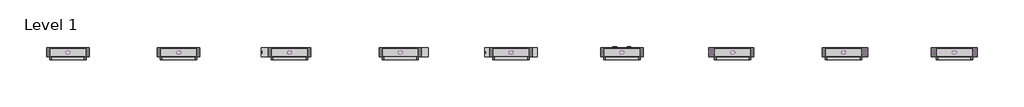
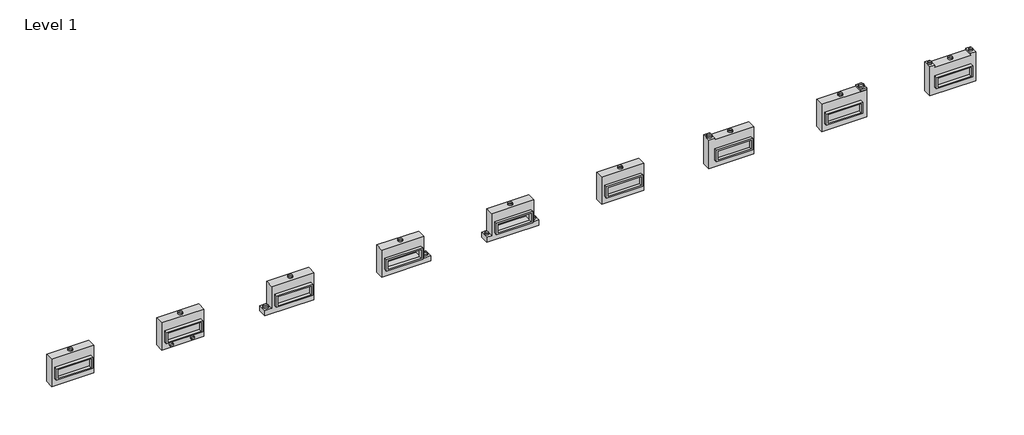
# One storey: 32 proxies.
"""IFC4 building model written with IfcOpenShell, lengths in millimetres."""

import ifcopenshell
import ifcopenshell.guid

model = None  # the IFC model being written
_history = None  # IfcOwnerHistory: only IFC2X3 demands one
_inside = {}  # id of a spatial element -> (the spatial element, [elements in it])
_under = {}  # id of a project, library or spatial element -> (it, [spatial elements below it])
_declared = {}  # id of a project -> (the project, [libraries it declares])
_typed = {}  # id of a type object -> (the type object, [elements of that type])
_made_of = {}  # id of a material, layer set ... -> (it, [elements and type objects made of it])


def new_model(schema):
    """Start an empty IFC model of exactly this schema.

    Asked for "IFC4X3", IfcOpenShell would pick the latest addendum, in which some entities
    have other attributes; the version numbers below select the first issue.
    IFC2X3 requires an IfcOwnerHistory on every rooted entity: one is made here for all.
    """
    global model, _history
    if schema == "IFC4X3":
        model = ifcopenshell.file(schema_version=(4, 3, 0, 0))
    else:
        model = ifcopenshell.file(schema=schema)
    _inside.clear()
    _under.clear()
    _declared.clear()
    _typed.clear()
    _made_of.clear()
    _history = None
    if model.schema == "IFC2X3":
        org = make("IfcOrganization", Name="unknown")
        user = make(
            "IfcPersonAndOrganization",
            ThePerson=make("IfcPerson", FamilyName="unknown"),
            TheOrganization=org,
        )
        app = make(
            "IfcApplication",
            ApplicationDeveloper=org,
            Version="unknown",
            ApplicationFullName="unknown",
            ApplicationIdentifier="unknown",
        )
        _history = make(
            "IfcOwnerHistory",
            OwningUser=user,
            OwningApplication=app,
            ChangeAction="ADDED",
            CreationDate=0,
        )
    return model


def make(cls, **values):
    """One entity of the class cls with the attributes given. An attribute that is None is left unset."""
    return model.create_entity(
        cls, **{name: value for name, value in values.items() if value is not None}
    )


def rooted(cls, **values):
    """An entity with a GlobalId (a new one), such as an element, a storey or a relation."""
    return make(cls, GlobalId=ifcopenshell.guid.new(), OwnerHistory=_history, **values)


def si_unit(unit_type, name, prefix=None):
    """IfcSIUnit, for example si_unit("LENGTHUNIT", "METRE", prefix="MILLI")."""
    return make("IfcSIUnit", UnitType=unit_type, Prefix=prefix, Name=name)


def assignment(units):
    """IfcUnitAssignment: the units of a project."""
    return None if units is None else make("IfcUnitAssignment", Units=units)


def point(xyz):
    """IfcCartesianPoint."""
    return None if xyz is None else make("IfcCartesianPoint", Coordinates=xyz)


def direction(xyz):
    """IfcDirection."""
    return None if xyz is None else make("IfcDirection", DirectionRatios=xyz)


def frame(location, z_axis=None, x_axis=None):
    """IfcAxis2Placement3D, a coordinate frame: its origin and axes. An axis left out is left unset."""
    return make(
        "IfcAxis2Placement3D",
        Location=point(location),
        Axis=direction(z_axis),
        RefDirection=direction(x_axis),
    )


def frame_2d(location, x_axis=None):
    """IfcAxis2Placement2D, a coordinate frame in the plane: its origin and x axis."""
    return make(
        "IfcAxis2Placement2D", Location=point(location), RefDirection=direction(x_axis)
    )


def origin():
    """The frame at (0, 0, 0) with its axes left unset."""
    return frame((0.0, 0.0, 0.0))


def origin_with_axes():
    """The frame at (0, 0, 0) with the z axis (0, 0, 1) and the x axis (1, 0, 0) written out."""
    return frame((0.0, 0.0, 0.0), z_axis=(0.0, 0.0, 1.0), x_axis=(1.0, 0.0, 0.0))


def origin_2d():
    """The frame at (0, 0) in the plane with its x axis left unset."""
    return frame_2d((0.0, 0.0))


def place(relative_to, where):
    """IfcLocalPlacement: puts the frame where relative to a parent placement (None: the world)."""
    return make(
        "IfcLocalPlacement", PlacementRelTo=relative_to, RelativePlacement=where
    )


def context(
    kind, dimensions, precision=None, world=None, true_north=None, identifier=None
):
    """IfcGeometricRepresentationContext, for example the 3D "Model" context."""
    return make(
        "IfcGeometricRepresentationContext",
        ContextIdentifier=identifier,
        ContextType=kind,
        CoordinateSpaceDimension=dimensions,
        Precision=precision,
        WorldCoordinateSystem=world,
        TrueNorth=true_north,
    )


def project(units=None, contexts=None):
    """IfcProject with its units and contexts."""
    return rooted(
        "IfcProject",
        Name="project",
        RepresentationContexts=contexts,
        UnitsInContext=assignment(units),
    )


def spatial(cls, under=None, at=None, **own):
    """A site, building, storey or space (cls), placed at a placement, below another one or the project."""
    s = rooted(cls, ObjectPlacement=at, **own)
    if under is not None:
        _under.setdefault(under.id(), (under, []))[1].append(s)
    return s


def polyline(points):
    """IfcPolyline through the points."""
    return make("IfcPolyline", Points=[point(p) for p in points])


def circle_curve(where, radius):
    """IfcCircle in the frame where."""
    return make("IfcCircle", Position=where, Radius=radius)


def trimmed(basis, trim1, trim2, sense, master):
    """IfcTrimmedCurve: the piece of a basis curve between two trims."""
    return make(
        "IfcTrimmedCurve",
        BasisCurve=basis,
        Trim1=trim1,
        Trim2=trim2,
        SenseAgreement=sense,
        MasterRepresentation=master,
    )


def segment(curve, same_sense, transition):
    """IfcCompositeCurveSegment."""
    return make(
        "IfcCompositeCurveSegment",
        Transition=transition,
        SameSense=same_sense,
        ParentCurve=curve,
    )


def composite_curve(segments, self_intersect=None):
    """IfcCompositeCurve: segments joined end to end."""
    return make("IfcCompositeCurve", Segments=segments, SelfIntersect=self_intersect)


def outline(outer, holes=None, kind="AREA"):
    """IfcArbitraryClosedProfileDef: a profile drawn as a closed curve; with holes, ...WithVoids."""
    if holes is None:
        return make("IfcArbitraryClosedProfileDef", ProfileType=kind, OuterCurve=outer)
    return make(
        "IfcArbitraryProfileDefWithVoids",
        ProfileType=kind,
        OuterCurve=outer,
        InnerCurves=holes,
    )


def extrude(swept, where, along, depth):
    """IfcExtrudedAreaSolid: the profile swept, set in the frame where, extruded along a direction by depth."""
    return make(
        "IfcExtrudedAreaSolid",
        SweptArea=swept,
        Position=where,
        ExtrudedDirection=direction(along),
        Depth=depth,
    )


def faces_of(points, faces, orient=None, outer=None):
    """IfcFace entities. A face is a list of loops; a loop is a list of indices into points, from 0.

    orient and outer hold one flag for each loop. By default every Orientation is true, the
    first loop of a face is its IfcFaceOuterBound and the others are IfcFaceBound.
    """
    made = []
    for i, loops in enumerate(faces):
        bounds = []
        for j, loop in enumerate(loops):
            is_outer = j == 0 if outer is None else outer[i][j]
            bounds.append(
                make(
                    "IfcFaceOuterBound" if is_outer else "IfcFaceBound",
                    Bound=make("IfcPolyLoop", Polygon=[points[k] for k in loop]),
                    Orientation=True if orient is None else orient[i][j],
                )
            )
        made.append(make("IfcFace", Bounds=bounds))
    return made


def faceted_brep(points, faces, orient=None, outer=None, voids=None):
    """IfcFacetedBrep: a solid bounded by flat faces; with voids (closed shells), ...WithVoids."""
    shared = [point(p) for p in points]
    hull = make("IfcClosedShell", CfsFaces=faces_of(shared, faces, orient, outer))
    if voids is None:
        return make("IfcFacetedBrep", Outer=hull)
    return make(
        "IfcFacetedBrepWithVoids",
        Outer=hull,
        Voids=[
            make(cls, CfsFaces=faces_of(shared, fs, o, b)) for cls, fs, o, b in voids
        ],
    )


def shape(context_of_items, identifier, shape_type, items):
    """IfcShapeRepresentation: the items that make up one representation, for example the "Body"."""
    return make(
        "IfcShapeRepresentation",
        ContextOfItems=context_of_items,
        RepresentationIdentifier=identifier,
        RepresentationType=shape_type,
        Items=items,
    )


def source(mapping_origin, context_of_items, identifier, shape_type, items):
    """IfcRepresentationMap: a shape defined once, which mapped items show again and again."""
    return make(
        "IfcRepresentationMap",
        MappingOrigin=mapping_origin,
        MappedRepresentation=shape(context_of_items, identifier, shape_type, items),
    )


def transform(
    local_origin,
    x_axis=None,
    y_axis=None,
    z_axis=None,
    scale=None,
    scale2=None,
    scale3=None,
    uniform=True,
):
    """IfcCartesianTransformationOperator3D, or its non-uniform kind. x_axis, y_axis, z_axis: its Axis1, 2, 3."""
    if uniform:
        return make(
            "IfcCartesianTransformationOperator3D",
            Axis1=direction(x_axis),
            Axis2=direction(y_axis),
            LocalOrigin=point(local_origin),
            Scale=scale,
            Axis3=direction(z_axis),
        )
    return make(
        "IfcCartesianTransformationOperator3DnonUniform",
        Axis1=direction(x_axis),
        Axis2=direction(y_axis),
        LocalOrigin=point(local_origin),
        Scale=scale,
        Axis3=direction(z_axis),
        Scale2=scale2,
        Scale3=scale3,
    )


def mapped(mapping_source, mapping_target):
    """IfcMappedItem: shows the shape of a source again, moved by a transform."""
    return make(
        "IfcMappedItem", MappingSource=mapping_source, MappingTarget=mapping_target
    )


def made_of(thing, what):
    """Note that an element or type object is made of a material, layer set ...; save() writes the relation."""
    if what is not None:
        _made_of.setdefault(what.id(), (what, []))[1].append(thing)
    return thing


def element(
    cls,
    number,
    at=None,
    inside=None,
    cuts=None,
    type_object=None,
    material=None,
    context=None,
    identifier="Body",
    shape_type=None,
    held_by="IfcProductDefinitionShape",
    body=None,
    shapes=None,
    **own,
):
    """One element of the class cls, such as IfcWall. Its Tag is "e" and its number.

    at: its placement. inside: the storey or other place that contains it. cuts: it is an
    opening in that element (IfcRelVoidsElement). A single representation is given by context,
    identifier, shape_type and body (its items); several are given by shapes. held_by: the class
    of the entity that holds the representations. save() writes the other relations.
    """
    e = rooted(cls, Tag="e%d" % number, ObjectPlacement=at, **own)
    if body is not None:
        shapes = [shape(context, identifier, shape_type, body)]
    if shapes is not None:
        e.Representation = make(held_by, Representations=shapes)
    if inside is not None:
        _inside.setdefault(inside.id(), (inside, []))[1].append(e)
    if cuts is not None:
        rooted(
            "IfcRelVoidsElement", RelatingBuildingElement=cuts, RelatedOpeningElement=e
        )
    if type_object is not None:
        _typed.setdefault(type_object.id(), (type_object, []))[1].append(e)
    return made_of(e, material)


def aggregate(whole, parts):
    """IfcRelAggregates: a whole, such as a stair, and the parts it consists of."""
    return rooted("IfcRelAggregates", RelatingObject=whole, RelatedObjects=parts)


def save(model, path):
    """Write the relations noted so far, then the file.

    IfcRelAggregates (storeys below a building ...), IfcRelContainedInSpatialStructure (elements
    in a storey), IfcRelDefinesByType, IfcRelAssociatesMaterial and IfcRelDeclares: one each for
    every whole, place, type object, material and project.
    """
    for whole, parts in _under.values():
        aggregate(whole, parts)
    for where, things in _inside.values():
        rooted(
            "IfcRelContainedInSpatialStructure",
            RelatedElements=things,
            RelatingStructure=where,
        )
    for kind, things in _typed.values():
        rooted("IfcRelDefinesByType", RelatedObjects=things, RelatingType=kind)
    for what, things in _made_of.values():
        rooted("IfcRelAssociatesMaterial", RelatedObjects=things, RelatingMaterial=what)
    for by, libraries in _declared.values():
        rooted("IfcRelDeclares", RelatingContext=by, RelatedDefinitions=libraries)
    model.write(path)


def as_specified_af409f83(model_context):
    return source(origin(), model_context, "Body", "SolidModel", [
        extrude(outline(polyline([(1003.3, 273.05), (1003.3, -387.35), (-1003.3, -387.35), (-1003.3, 273.05), (1003.3, 273.05)]), holes=[polyline([(914.4, 196.85), (-914.4, 196.85), (-914.4, -311.15), (914.4, -311.15), (914.4, 196.85)])]), frame((0.0, 0.0, -25.4), z_axis=(0.0, 0.0, 1.0), x_axis=(1.0, 0.0, 0.0)), (0.0, 0.0, 1.0), 165.1),
        extrude(outline(polyline([(914.4, 196.85), (914.4, -311.15), (-914.4, -311.15), (-914.4, 196.85), (914.4, 196.85)])), frame((0.0, 0.0, -30.3609375), z_axis=(0.0, 0.0, 1.0), x_axis=(1.0, 0.0, 0.0)), (0.0, 0.0, 1.0), 4.9609375),
        faceted_brep([(1168.4, -793.75, -523.875), (-1168.4, -793.75, -523.875), (-1168.4, 793.75, -523.875), (1168.4, 793.75, -523.875), (1168.4, 793.75, -25.4), (-1168.4, 793.75, -25.4), (-1168.4, -793.75, -25.4), (1168.4, -793.75, -25.4), (1003.3, 273.05, -25.4), (1003.3, -387.35, -25.4), (-1003.3, -387.35, -25.4), (-1003.3, 273.05, -25.4), (1003.3, 273.05, -498.475), (-1003.3, 273.05, -498.475), (-1003.3, -387.35, -498.475), (1003.3, -387.35, -498.475)], [[[0, 1, 2, 3]], [[4, 5, 6, 7], [8, 9, 10, 11]], [[3, 2, 5, 4]], [[2, 1, 6, 5]], [[0, 3, 4, 7]], [[12, 13, 14, 15]], [[14, 13, 11, 10]], [[13, 12, 8, 11]], [[12, 15, 9, 8]], [[10, 9, 15, 14]], [[1, 0, 7, 6]]]),
    ])


def as_specified_decdab87(model_context):
    return source(origin(), model_context, "Body", "SolidModel", [
        extrude(outline(polyline([(1003.3, 273.05), (1003.3, -387.35), (-1003.3, -387.35), (-1003.3, 273.05), (1003.3, 273.05)]), holes=[polyline([(914.4, 196.85), (-914.4, 196.85), (-914.4, -311.15), (914.4, -311.15), (914.4, 196.85)])]), frame((0.0, 0.0, -25.4), z_axis=(0.0, 0.0, 1.0), x_axis=(1.0, 0.0, 0.0)), (0.0, 0.0, 1.0), 165.1),
        faceted_brep([(-1168.4, 793.75, -523.875), (1168.4, 793.75, -523.875), (1168.4, -488.95, -523.875), (1447.8, -488.95, -523.875), (1447.8, -793.75, -523.875), (-1447.8, -793.75, -523.875), (-1447.8, -488.95, -523.875), (-1168.4, -488.95, -523.875), (1168.4, 793.75, -25.4), (-1168.4, 793.75, -25.4), (-1168.4, -488.95, -25.4), (-1447.8, -488.95, -25.4), (-1447.8, -793.75, -25.4), (1447.8, -793.75, -25.4), (1447.8, -488.95, -25.4), (1168.4, -488.95, -25.4), (-1003.3, -387.35, -25.4), (-1003.3, 273.05, -25.4), (1003.3, 273.05, -25.4), (1003.3, -387.35, -25.4), (1003.3, 273.05, -498.475), (-1003.3, 273.05, -498.475), (-1003.3, -387.35, -498.475), (1003.3, -387.35, -498.475)], [[[0, 1, 2, 3, 4, 5, 6, 7]], [[8, 9, 10, 11, 12, 13, 14, 15], [16, 17, 18, 19]], [[1, 0, 9, 8]], [[9, 0, 7, 10]], [[1, 8, 15, 2]], [[20, 21, 22, 23]], [[22, 21, 17, 16]], [[21, 20, 18, 17]], [[20, 23, 19, 18]], [[23, 22, 16, 19]], [[5, 4, 13, 12]], [[3, 2, 15, 14]], [[4, 3, 14, 13]], [[7, 6, 11, 10]], [[6, 5, 12, 11]]]),
    ])


def as_specified_20f9bb69(model_context):
    return source(origin(), model_context, "Body", "SolidModel", [
        extrude(outline(polyline([(1003.3, 273.05), (1003.3, -387.35), (-1003.3, -387.35), (-1003.3, 273.05), (1003.3, 273.05)]), holes=[polyline([(914.4, 196.85), (-914.4, 196.85), (-914.4, -311.15), (914.4, -311.15), (914.4, 196.85)])]), frame((0.0, 0.0, -25.4), z_axis=(0.0, 0.0, 1.0), x_axis=(1.0, 0.0, 0.0)), (0.0, 0.0, 1.0), 165.1),
        extrude(outline(polyline([(914.4, 196.85), (914.4, -311.15), (-914.4, -311.15), (-914.4, 196.85), (914.4, 196.85)])), frame((0.0, 0.0, -30.3609375), z_axis=(0.0, 0.0, 1.0), x_axis=(1.0, 0.0, 0.0)), (0.0, 0.0, 1.0), 4.9609375),
        faceted_brep([(-1168.4, 793.75, -523.875), (1168.4, 793.75, -523.875), (1168.4, -793.75, -523.875), (-1549.4, -793.75, -523.875), (-1549.4, -488.95, -523.875), (-1168.4, -488.95, -523.875), (1168.4, 793.75, -25.4), (-1168.4, 793.75, -25.4), (-1168.4, -488.95, -25.4), (-1549.4, -488.95, -25.4), (-1549.4, -793.75, -25.4), (1168.4, -793.75, -25.4), (-1003.3, -387.35, -25.4), (-1003.3, 273.05, -25.4), (1003.3, 273.05, -25.4), (1003.3, -387.35, -25.4), (1003.3, 273.05, -498.475), (-1003.3, 273.05, -498.475), (-1003.3, -387.35, -498.475), (1003.3, -387.35, -498.475)], [[[0, 1, 2, 3, 4, 5]], [[6, 7, 8, 9, 10, 11], [12, 13, 14, 15]], [[1, 0, 7, 6]], [[7, 0, 5, 8]], [[1, 6, 11, 2]], [[16, 17, 18, 19]], [[18, 17, 13, 12]], [[17, 16, 14, 13]], [[16, 19, 15, 14]], [[12, 15, 19, 18]], [[3, 2, 11, 10]], [[5, 4, 9, 8]], [[4, 3, 10, 9]]]),
    ])


def as_specified_1c033fed(model_context):
    return source(origin(), model_context, "Body", "SolidModel", [
        extrude(outline(polyline([(1003.3, 273.05), (1003.3, -387.35), (-1003.3, -387.35), (-1003.3, 273.05), (1003.3, 273.05)]), holes=[polyline([(914.4, 196.85), (-914.4, 196.85), (-914.4, -311.15), (914.4, -311.15), (914.4, 196.85)])]), frame((0.0, 0.0, -25.4), z_axis=(0.0, 0.0, 1.0), x_axis=(1.0, 0.0, 0.0)), (0.0, 0.0, 1.0), 165.1),
        faceted_brep([(-1168.4, 793.75, -523.875), (1168.4, 793.75, -523.875), (1168.4, -488.95, -523.875), (1549.4, -488.95, -523.875), (1549.4, -793.75, -523.875), (-1168.4, -793.75, -523.875), (1168.4, 793.75, -25.4), (-1168.4, 793.75, -25.4), (-1168.4, -793.75, -25.4), (1549.4, -793.75, -25.4), (1549.4, -488.95, -25.4), (1168.4, -488.95, -25.4), (-1003.3, -387.35, -25.4), (-1003.3, 273.05, -25.4), (1003.3, 273.05, -25.4), (1003.3, -387.35, -25.4), (1003.3, 273.05, -498.475), (-1003.3, 273.05, -498.475), (-1003.3, -387.35, -498.475), (1003.3, -387.35, -498.475)], [[[0, 1, 2, 3, 4, 5]], [[6, 7, 8, 9, 10, 11], [12, 13, 14, 15]], [[1, 0, 7, 6]], [[7, 0, 5, 8]], [[1, 6, 11, 2]], [[16, 17, 18, 19]], [[18, 17, 13, 12]], [[17, 16, 14, 13]], [[16, 19, 15, 14]], [[19, 18, 12, 15]], [[5, 4, 9, 8]], [[3, 2, 11, 10]], [[4, 3, 10, 9]]]),
    ])


def as_specified_8ee3df0b(model_context):
    return source(origin(), model_context, "Body", "SolidModel", [
        extrude(outline(polyline([(1003.3, 273.05), (1003.3, -387.35), (-1003.3, -387.35), (-1003.3, 273.05), (1003.3, 273.05)]), holes=[polyline([(914.4, 196.85), (-914.4, 196.85), (-914.4, -311.15), (914.4, -311.15), (914.4, 196.85)])]), frame((0.0, 0.0, -25.4), z_axis=(0.0, 0.0, 1.0), x_axis=(1.0, 0.0, 0.0)), (0.0, 0.0, 1.0), 165.1),
        extrude(outline(polyline([(914.4, 196.85), (914.4, -311.15), (-914.4, -311.15), (-914.4, 196.85), (914.4, 196.85)])), frame((0.0, 0.0, -30.3609375), z_axis=(0.0, 0.0, 1.0), x_axis=(1.0, 0.0, 0.0)), (0.0, 0.0, 1.0), 4.9609375),
        faceted_brep([(1270.0, -793.75, -523.875), (-1270.0, -793.75, -523.875), (-1270.0, 895.35, -523.875), (-1003.3, 895.35, -523.875), (-1003.3, 793.75, -523.875), (1003.3, 793.75, -523.875), (1003.3, 895.35, -523.875), (1270.0, 895.35, -523.875), (-1270.0, -793.75, -25.4), (1270.0, -793.75, -25.4), (1270.0, 895.35, -25.4), (1003.3, 895.35, -25.4), (1003.3, 793.75, -25.4), (-1003.3, 793.75, -25.4), (-1003.3, 895.35, -25.4), (-1270.0, 895.35, -25.4), (-1003.3, -387.35, -25.4), (-1003.3, 273.05, -25.4), (1003.3, 273.05, -25.4), (1003.3, -387.35, -25.4), (1003.3, 273.05, -498.475), (-1003.3, 273.05, -498.475), (-1003.3, -387.35, -498.475), (1003.3, -387.35, -498.475)], [[[0, 1, 2, 3, 4, 5, 6, 7]], [[8, 9, 10, 11, 12, 13, 14, 15], [16, 17, 18, 19]], [[4, 13, 12, 5]], [[1, 8, 15, 2]], [[10, 9, 0, 7]], [[20, 21, 22, 23]], [[22, 21, 17, 16]], [[21, 20, 18, 17]], [[20, 23, 19, 18]], [[16, 19, 23, 22]], [[1, 0, 9, 8]], [[4, 3, 14, 13]], [[3, 2, 15, 14]], [[6, 5, 12, 11]], [[7, 6, 11, 10]]]),
    ])


def as_specified_dbc2f7c5(model_context):
    return source(origin(), model_context, "Body", "SolidModel", [
        extrude(outline(polyline([(1003.3, 273.05), (1003.3, -387.35), (-1003.3, -387.35), (-1003.3, 273.05), (1003.3, 273.05)]), holes=[polyline([(914.4, 196.85), (-914.4, 196.85), (-914.4, -311.15), (914.4, -311.15), (914.4, 196.85)])]), frame((0.0, 0.0, -25.4), z_axis=(0.0, 0.0, 1.0), x_axis=(1.0, 0.0, 0.0)), (0.0, 0.0, 1.0), 165.1),
        extrude(outline(polyline([(914.4, 196.85), (914.4, -311.15), (-914.4, -311.15), (-914.4, 196.85), (914.4, 196.85)])), frame((0.0, 0.0, -30.3609375), z_axis=(0.0, 0.0, 1.0), x_axis=(1.0, 0.0, 0.0)), (0.0, 0.0, 1.0), 4.9609375),
        faceted_brep([(1168.4, -793.75, -523.875), (-1320.8, -793.75, -523.875), (-1320.8, 895.35, -523.875), (-1003.3, 895.35, -523.875), (-1003.3, 793.75, -523.875), (1168.4, 793.75, -523.875), (-1320.8, -793.75, -25.4), (1168.4, -793.75, -25.4), (1168.4, 793.75, -25.4), (-1003.3, 793.75, -25.4), (-1003.3, 895.35, -25.4), (-1320.8, 895.35, -25.4), (-1003.3, -387.35, -25.4), (-1003.3, 273.05, -25.4), (1003.3, 273.05, -25.4), (1003.3, -387.35, -25.4), (1003.3, 273.05, -498.475), (-1003.3, 273.05, -498.475), (-1003.3, -387.35, -498.475), (1003.3, -387.35, -498.475)], [[[0, 1, 2, 3, 4, 5]], [[6, 7, 8, 9, 10, 11], [12, 13, 14, 15]], [[8, 5, 4, 9]], [[2, 1, 6, 11]], [[5, 8, 7, 0]], [[16, 17, 18, 19]], [[18, 17, 13, 12]], [[17, 16, 14, 13]], [[16, 19, 15, 14]], [[12, 15, 19, 18]], [[1, 0, 7, 6]], [[4, 3, 10, 9]], [[3, 2, 11, 10]]]),
    ])


def as_specified_ccd15768(model_context):
    return source(origin(), model_context, "Body", "SolidModel", [
        extrude(outline(polyline([(1003.3, 273.05), (1003.3, -387.35), (-1003.3, -387.35), (-1003.3, 273.05), (1003.3, 273.05)]), holes=[polyline([(914.4, 196.85), (-914.4, 196.85), (-914.4, -311.15), (914.4, -311.15), (914.4, 196.85)])]), frame((0.0, 0.0, -25.4), z_axis=(0.0, 0.0, 1.0), x_axis=(1.0, 0.0, 0.0)), (0.0, 0.0, 1.0), 165.1),
        extrude(outline(polyline([(1003.3, 793.75), (1003.3, 895.35), (1320.8, 895.35), (1320.8, 793.75), (1003.3, 793.75)])), frame((0.0, 0.0, -523.875), z_axis=(0.0, 0.0, 1.0), x_axis=(1.0, 0.0, 0.0)), (0.0, 0.0, 1.0), 498.475),
        extrude(outline(polyline([(914.4, 196.85), (914.4, -311.15), (-914.4, -311.15), (-914.4, 196.85), (914.4, 196.85)])), frame((0.0, 0.0, -30.3609375), z_axis=(0.0, 0.0, 1.0), x_axis=(1.0, 0.0, 0.0)), (0.0, 0.0, 1.0), 4.9609375),
        faceted_brep([(1320.8, -793.75, -523.875), (-1168.4, -793.75, -523.875), (-1168.4, 793.75, -523.875), (1320.8, 793.75, -523.875), (1320.8, 793.75, -25.4), (-1168.4, 793.75, -25.4), (-1168.4, -793.75, -25.4), (1320.8, -793.75, -25.4), (1003.3, 273.05, -25.4), (1003.3, -387.35, -25.4), (-1003.3, -387.35, -25.4), (-1003.3, 273.05, -25.4), (1003.3, 273.05, -498.475), (-1003.3, 273.05, -498.475), (-1003.3, -387.35, -498.475), (1003.3, -387.35, -498.475)], [[[0, 1, 2, 3]], [[4, 5, 6, 7], [8, 9, 10, 11]], [[3, 2, 5, 4]], [[2, 1, 6, 5]], [[0, 3, 4, 7]], [[12, 13, 14, 15]], [[14, 13, 11, 10]], [[13, 12, 8, 11]], [[12, 15, 9, 8]], [[10, 9, 15, 14]], [[1, 0, 7, 6]]]),
    ])


def duct_dia_2f6b1a6e(model_context):
    return source(origin(), model_context, "Body", "SweptSolid", [
        extrude(outline(composite_curve([segment(trimmed(circle_curve(origin_2d(), 100.0621094), [point((-100.0621094, 0.0))], [point((100.0621094, 0.0))], False, "CARTESIAN"), True, "CONTINUOUS"), segment(trimmed(circle_curve(origin_2d(), 100.0621094), [point((100.0621094, 0.0))], [point((-100.0621094, 0.0))], False, "CARTESIAN"), True, "CONTINUOUS")], self_intersect=False), holes=[composite_curve([segment(trimmed(circle_curve(origin_2d(), 98.4746094), [point((-98.4746094, 0.0))], [point((98.4746094, 0.0))], True, "CARTESIAN"), True, "CONTINUOUS"), segment(trimmed(circle_curve(origin_2d(), 98.4746094), [point((98.4746094, 0.0))], [point((-98.4746094, 0.0))], True, "CARTESIAN"), True, "CONTINUOUS")], self_intersect=False)]), origin_with_axes(), (0.0, 0.0, 1.0), 76.2),
    ])


def duct_dia_4e7178c8(model_context):
    return source(origin(), model_context, "Body", "SweptSolid", [
        extrude(outline(composite_curve([segment(trimmed(circle_curve(origin_2d(), 150.8621094), [point((-150.8621094, 0.0))], [point((150.8621094, 0.0))], False, "CARTESIAN"), True, "CONTINUOUS"), segment(trimmed(circle_curve(origin_2d(), 150.8621094), [point((150.8621094, 0.0))], [point((-150.8621094, 0.0))], False, "CARTESIAN"), True, "CONTINUOUS")], self_intersect=False), holes=[composite_curve([segment(trimmed(circle_curve(origin_2d(), 149.2746094), [point((-149.2746094, 0.0))], [point((149.2746094, 0.0))], True, "CARTESIAN"), True, "CONTINUOUS"), segment(trimmed(circle_curve(origin_2d(), 149.2746094), [point((149.2746094, 0.0))], [point((-149.2746094, 0.0))], True, "CARTESIAN"), True, "CONTINUOUS")], self_intersect=False)]), origin_with_axes(), (0.0, 0.0, 1.0), 76.2),
    ])


def proxy_c1ba4f62(model_context):
    return source(origin(), model_context, "Body", "SweptSolid", [
        extrude(outline(composite_curve([segment(trimmed(circle_curve(origin_2d(), 103.1875), [point((-103.1875, 0.0))], [point((103.1875, 0.0))], False, "CARTESIAN"), True, "CONTINUOUS"), segment(trimmed(circle_curve(origin_2d(), 103.1875), [point((103.1875, 0.0))], [point((-103.1875, 0.0))], False, "CARTESIAN"), True, "CONTINUOUS")], self_intersect=False), holes=[composite_curve([segment(trimmed(circle_curve(origin_2d(), 101.6), [point((-101.6, 0.0))], [point((101.6, 0.0))], True, "CARTESIAN"), True, "CONTINUOUS"), segment(trimmed(circle_curve(origin_2d(), 101.6), [point((101.6, 0.0))], [point((-101.6, 0.0))], True, "CARTESIAN"), True, "CONTINUOUS")], self_intersect=False)]), origin_with_axes(), (0.0, 0.0, 1.0), 6.35),
    ])


def proxy_d8bd2570(model_context):
    return source(origin(), model_context, "Body", "SweptSolid", [
        extrude(outline(composite_curve([segment(trimmed(circle_curve(origin_2d(), 123.825), [point((-123.825, 0.0))], [point((123.825, 0.0))], False, "CARTESIAN"), True, "CONTINUOUS"), segment(trimmed(circle_curve(origin_2d(), 123.825), [point((123.825, 0.0))], [point((-123.825, 0.0))], False, "CARTESIAN"), True, "CONTINUOUS")], self_intersect=False), holes=[composite_curve([segment(trimmed(circle_curve(origin_2d(), 122.2375), [point((-122.2375, 0.0))], [point((122.2375, 0.0))], True, "CARTESIAN"), True, "CONTINUOUS"), segment(trimmed(circle_curve(origin_2d(), 122.2375), [point((122.2375, 0.0))], [point((-122.2375, 0.0))], True, "CARTESIAN"), True, "CONTINUOUS")], self_intersect=False)]), origin_with_axes(), (0.0, 0.0, 1.0), 76.2),
    ])


model = new_model("IFC4")

# Units and contexts
model_context = context("Model", 3, world=origin())
ifc_project = project(units=[si_unit("LENGTHUNIT", "METRE", prefix="MILLI")], contexts=[model_context])

# Site, building, storey
site = spatial("IfcSite", under=ifc_project)
building = spatial("IfcBuilding", under=site)
storey = spatial("IfcBuildingStorey", under=building, Name="Level 1", Elevation=0.0)

# Proxies
placement = place(None, origin())
as_specified_shape = as_specified_af409f83(model_context)
element("IfcBuildingElementProxy", 1, Name="As Specified", ObjectType="As Specified", at=placement, inside=storey, context=model_context, shape_type="MappedRepresentation", body=[
    mapped(as_specified_shape, transform((16620.0574402, 1616.7712992, 1219.2), x_axis=(1.0, 0.0, 0.0), y_axis=(0.0, 0.0, 1.0), z_axis=(0.0, -1.0, 0.0))),
])
element("IfcBuildingElementProxy", 2, Name="As Specified", ObjectType="As Specified", at=placement, inside=storey, context=model_context, shape_type="MappedRepresentation", body=[
    mapped(as_specified_shape, transform((-7763.9425598, 1616.7712992, 1219.2), x_axis=(1.0, 0.0, 0.0), y_axis=(0.0, 0.0, 1.0), z_axis=(0.0, -1.0, 0.0))),
])
as_specified_2_shape = as_specified_decdab87(model_context)
element("IfcBuildingElementProxy", 3, Name="As Specified", ObjectType="As Specified", at=placement, inside=storey, context=model_context, shape_type="MappedRepresentation", body=[
    mapped(as_specified_2_shape, transform((10524.0574402, 1616.7712992, 1219.2), x_axis=(1.0, 0.0, 0.0), y_axis=(0.0, 0.0, 1.0), z_axis=(0.0, -1.0, 0.0))),
])
as_specified_3_shape = as_specified_20f9bb69(model_context)
element("IfcBuildingElementProxy", 4, Name="As Specified", ObjectType="As Specified", at=placement, inside=storey, context=model_context, shape_type="MappedRepresentation", body=[
    mapped(as_specified_3_shape, transform((-1667.9425598, 1616.7712992, 1219.2), x_axis=(1.0, 0.0, 0.0), y_axis=(0.0, 0.0, 1.0), z_axis=(0.0, -1.0, 0.0))),
])
as_specified_4_shape = as_specified_1c033fed(model_context)
element("IfcBuildingElementProxy", 5, Name="As Specified", ObjectType="As Specified", at=placement, inside=storey, context=model_context, shape_type="MappedRepresentation", body=[
    mapped(as_specified_4_shape, transform((4428.0574402, 1616.7712992, 1219.2), x_axis=(1.0, 0.0, 0.0), y_axis=(0.0, 0.0, 1.0), z_axis=(0.0, -1.0, 0.0))),
])
as_specified_5_shape = as_specified_8ee3df0b(model_context)
element("IfcBuildingElementProxy", 6, Name="As Specified", ObjectType="As Specified", at=placement, inside=storey, context=model_context, shape_type="MappedRepresentation", body=[
    mapped(as_specified_5_shape, transform((34908.0574402, 1616.7712992, 1219.2), x_axis=(1.0, 0.0, 0.0), y_axis=(0.0, 0.0, 1.0), z_axis=(0.0, -1.0, 0.0))),
])
as_specified_6_shape = as_specified_dbc2f7c5(model_context)
element("IfcBuildingElementProxy", 7, Name="As Specified", ObjectType="As Specified", at=placement, inside=storey, context=model_context, shape_type="MappedRepresentation", body=[
    mapped(as_specified_6_shape, transform((22716.0574402, 1616.7712992, 1219.2), x_axis=(1.0, 0.0, 0.0), y_axis=(0.0, 0.0, 1.0), z_axis=(0.0, -1.0, 0.0))),
])
as_specified_7_shape = as_specified_ccd15768(model_context)
element("IfcBuildingElementProxy", 8, Name="As Specified", ObjectType="As Specified", at=placement, inside=storey, context=model_context, shape_type="MappedRepresentation", body=[
    mapped(as_specified_7_shape, transform((28812.0574402, 1616.7712992, 1219.2), x_axis=(1.0, 0.0, 0.0), y_axis=(0.0, 0.0, 1.0), z_axis=(0.0, -1.0, 0.0))),
])
element("IfcBuildingElementProxy", 9, Name="As Specified", ObjectType="As Specified", at=placement, inside=storey, context=model_context, shape_type="MappedRepresentation", body=[
    mapped(as_specified_shape, transform((-13859.9425598, 1616.7712992, 1219.2), x_axis=(1.0, 0.0, 0.0), y_axis=(0.0, 0.0, 1.0), z_axis=(0.0, -1.0, 0.0))),
])
duct_dia_shape = duct_dia_2f6b1a6e(model_context)
element("IfcBuildingElementProxy", 10, Name="Duct Dia", ObjectType="Duct Dia", at=placement, inside=storey, context=model_context, shape_type="MappedRepresentation", body=[
    mapped(duct_dia_shape, transform((-8424.3425598, 1642.1712992, 603.25), x_axis=(-1.0, 0.0, 0.0), y_axis=(0.0, 0.0, -1.0), z_axis=(0.0, -1.0, 0.0))),
])
element("IfcBuildingElementProxy", 11, Name="Duct Dia", ObjectType="Duct Dia", at=placement, inside=storey, context=model_context, shape_type="MappedRepresentation", body=[
    mapped(duct_dia_shape, transform((-7255.9425598, 1642.1712992, 603.25), x_axis=(-1.0, 0.0, 0.0), y_axis=(0.0, 0.0, -1.0), z_axis=(0.0, -1.0, 0.0))),
])
element("IfcBuildingElementProxy", 12, Name="Duct Dia", ObjectType="Duct Dia", at=placement, inside=storey, context=model_context, shape_type="MappedRepresentation", body=[
    mapped(duct_dia_shape, transform((9215.9574402, 1891.4087992, 730.25), x_axis=(1.0, 0.0, 0.0), y_axis=(0.0, 1.0, 0.0), z_axis=(0.0, 0.0, 1.0))),
])
element("IfcBuildingElementProxy", 13, Name="Duct Dia", ObjectType="Duct Dia", at=placement, inside=storey, context=model_context, shape_type="MappedRepresentation", body=[
    mapped(duct_dia_shape, transform((33771.4074402, 1891.4087992, 2114.55), x_axis=(1.0, 0.0, 0.0), y_axis=(0.0, 1.0, 0.0), z_axis=(0.0, 0.0, 1.0))),
])
element("IfcBuildingElementProxy", 14, Name="Duct Dia", ObjectType="Duct Dia", at=placement, inside=storey, context=model_context, shape_type="MappedRepresentation", body=[
    mapped(duct_dia_shape, transform((11832.1574402, 1891.4087992, 730.25), x_axis=(-1.0, 0.0, 0.0), y_axis=(0.0, -1.0, 0.0), z_axis=(0.0, 0.0, 1.0))),
])
element("IfcBuildingElementProxy", 15, Name="Duct Dia", ObjectType="Duct Dia", at=placement, inside=storey, context=model_context, shape_type="MappedRepresentation", body=[
    mapped(duct_dia_shape, transform((16230.5907735, 2140.6462992, 603.25), x_axis=(-1.0, 0.0, 0.0), y_axis=(0.0, 0.0, 1.0), z_axis=(0.0, 1.0, 0.0))),
])
element("IfcBuildingElementProxy", 16, Name="Duct Dia", ObjectType="Duct Dia", at=placement, inside=storey, context=model_context, shape_type="MappedRepresentation", body=[
    mapped(duct_dia_shape, transform((17009.5241068, 2140.6462992, 603.25), x_axis=(-1.0, 0.0, 0.0), y_axis=(0.0, 0.0, 1.0), z_axis=(0.0, 1.0, 0.0))),
])
element("IfcBuildingElementProxy", 17, Name="Duct Dia", ObjectType="Duct Dia", at=placement, inside=storey, context=model_context, shape_type="MappedRepresentation", body=[
    mapped(duct_dia_shape, transform((36044.7074402, 1891.4087992, 2114.55), x_axis=(-1.0, 0.0, 0.0), y_axis=(0.0, -1.0, 0.0), z_axis=(0.0, 0.0, 1.0))),
])
duct_dia_2_shape = duct_dia_4e7178c8(model_context)
element("IfcBuildingElementProxy", 18, Name="Duct Dia", ObjectType="Duct Dia", at=placement, inside=storey, context=model_context, shape_type="MappedRepresentation", body=[
    mapped(duct_dia_2_shape, transform((-3026.8425598, 1891.4087992, 730.25), x_axis=(1.0, 0.0, 0.0), y_axis=(0.0, 1.0, 0.0), z_axis=(0.0, 0.0, 1.0))),
])
element("IfcBuildingElementProxy", 19, Name="Duct Dia", ObjectType="Duct Dia", at=placement, inside=storey, context=model_context, shape_type="MappedRepresentation", body=[
    mapped(duct_dia_2_shape, transform((5786.9574402, 1891.4087992, 730.25), x_axis=(-1.0, 0.0, 0.0), y_axis=(0.0, -1.0, 0.0), z_axis=(0.0, 0.0, 1.0))),
])
element("IfcBuildingElementProxy", 20, Name="Duct Dia", ObjectType="Duct Dia", at=placement, inside=storey, context=model_context, shape_type="MappedRepresentation", body=[
    mapped(duct_dia_2_shape, transform((21554.0074402, 1891.4087992, 2114.55), x_axis=(1.0, 0.0, 0.0), y_axis=(0.0, 1.0, 0.0), z_axis=(0.0, 0.0, 1.0))),
])
element("IfcBuildingElementProxy", 21, Name="Duct Dia", ObjectType="Duct Dia", at=placement, inside=storey, context=model_context, shape_type="MappedRepresentation", body=[
    mapped(duct_dia_2_shape, transform((29974.1074402, 1891.4087992, 2114.55), x_axis=(-1.0, 0.0, 0.0), y_axis=(0.0, -1.0, 0.0), z_axis=(0.0, 0.0, 1.0))),
])
proxy_shape = proxy_c1ba4f62(model_context)
element("IfcBuildingElementProxy", 22, Name="Duct Dia : 8 1/8\" Dia", ObjectType="Duct Dia : 8 1/8\" Dia", at=placement, inside=storey, context=model_context, shape_type="MappedRepresentation", body=[
    mapped(proxy_shape, transform((-14444.1425598, 1891.4087992, 425.45), x_axis=(1.0, 0.0, 0.0), y_axis=(0.0, -1.0, 0.0), z_axis=(0.0, 0.0, -1.0))),
])
element("IfcBuildingElementProxy", 23, Name="Duct Dia : 8 1/8\" Dia", ObjectType="Duct Dia : 8 1/8\" Dia", at=placement, inside=storey, context=model_context, shape_type="MappedRepresentation", body=[
    mapped(proxy_shape, transform((-13275.7425598, 1891.4087992, 425.45), x_axis=(1.0, 0.0, 0.0), y_axis=(0.0, -1.0, 0.0), z_axis=(0.0, 0.0, -1.0))),
])
proxy_2_shape = proxy_d8bd2570(model_context)
element("IfcBuildingElementProxy", 24, Name="Duct Dia : 9 3/4\" Dia.", ObjectType="Duct Dia : 9 3/4\" Dia.", at=placement, inside=storey, context=model_context, shape_type="MappedRepresentation", body=[
    mapped(proxy_2_shape, transform((-13859.9425598, 1891.4087992, 2012.95), x_axis=(1.0, 0.0, 0.0), y_axis=(0.0, 1.0, 0.0), z_axis=(0.0, 0.0, 1.0))),
])
element("IfcBuildingElementProxy", 25, Name="Duct Dia : 9 3/4\" Dia.", ObjectType="Duct Dia : 9 3/4\" Dia.", at=placement, inside=storey, context=model_context, shape_type="MappedRepresentation", body=[
    mapped(proxy_2_shape, transform((-7763.9425598, 1891.4087992, 2012.95), x_axis=(1.0, 0.0, 0.0), y_axis=(0.0, 1.0, 0.0), z_axis=(0.0, 0.0, 1.0))),
])
element("IfcBuildingElementProxy", 26, Name="Duct Dia : 9 3/4\" Dia.", ObjectType="Duct Dia : 9 3/4\" Dia.", at=placement, inside=storey, context=model_context, shape_type="MappedRepresentation", body=[
    mapped(proxy_2_shape, transform((-1667.9425598, 1891.4087992, 2012.95), x_axis=(1.0, 0.0, 0.0), y_axis=(0.0, 1.0, 0.0), z_axis=(0.0, 0.0, 1.0))),
])
element("IfcBuildingElementProxy", 27, Name="Duct Dia : 9 3/4\" Dia.", ObjectType="Duct Dia : 9 3/4\" Dia.", at=placement, inside=storey, context=model_context, shape_type="MappedRepresentation", body=[
    mapped(proxy_2_shape, transform((4428.0574402, 1891.4087992, 2012.95), x_axis=(1.0, 0.0, 0.0), y_axis=(0.0, 1.0, 0.0), z_axis=(0.0, 0.0, 1.0))),
])
element("IfcBuildingElementProxy", 28, Name="Duct Dia : 9 3/4\" Dia.", ObjectType="Duct Dia : 9 3/4\" Dia.", at=placement, inside=storey, context=model_context, shape_type="MappedRepresentation", body=[
    mapped(proxy_2_shape, transform((10524.0574402, 1891.4087992, 2012.95), x_axis=(1.0, 0.0, 0.0), y_axis=(0.0, 1.0, 0.0), z_axis=(0.0, 0.0, 1.0))),
])
element("IfcBuildingElementProxy", 29, Name="Duct Dia : 9 3/4\" Dia.", ObjectType="Duct Dia : 9 3/4\" Dia.", at=placement, inside=storey, context=model_context, shape_type="MappedRepresentation", body=[
    mapped(proxy_2_shape, transform((16620.0574402, 1891.4087992, 2012.95), x_axis=(1.0, 0.0, 0.0), y_axis=(0.0, 1.0, 0.0), z_axis=(0.0, 0.0, 1.0))),
])
element("IfcBuildingElementProxy", 30, Name="Duct Dia : 9 3/4\" Dia.", ObjectType="Duct Dia : 9 3/4\" Dia.", at=placement, inside=storey, context=model_context, shape_type="MappedRepresentation", body=[
    mapped(proxy_2_shape, transform((22716.0574402, 1891.4087992, 2012.95), x_axis=(1.0, 0.0, 0.0), y_axis=(0.0, 1.0, 0.0), z_axis=(0.0, 0.0, 1.0))),
])
element("IfcBuildingElementProxy", 31, Name="Duct Dia : 9 3/4\" Dia.", ObjectType="Duct Dia : 9 3/4\" Dia.", at=placement, inside=storey, context=model_context, shape_type="MappedRepresentation", body=[
    mapped(proxy_2_shape, transform((28812.0574402, 1891.4087992, 2012.95), x_axis=(1.0, 0.0, 0.0), y_axis=(0.0, 1.0, 0.0), z_axis=(0.0, 0.0, 1.0))),
])
element("IfcBuildingElementProxy", 32, Name="Duct Dia : 9 3/4\" Dia.", ObjectType="Duct Dia : 9 3/4\" Dia.", at=placement, inside=storey, context=model_context, shape_type="MappedRepresentation", body=[
    mapped(proxy_2_shape, transform((34908.0574402, 1891.4087992, 2012.95), x_axis=(1.0, 0.0, 0.0), y_axis=(0.0, 1.0, 0.0), z_axis=(0.0, 0.0, 1.0))),
])

save(model, "model.ifc")
